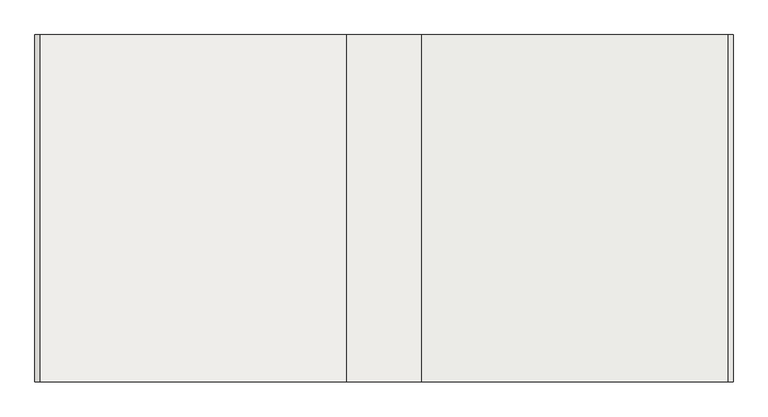
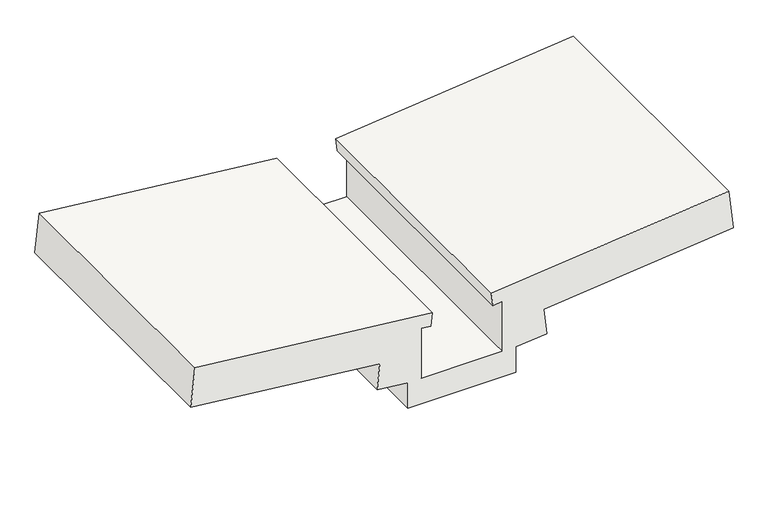
"""IFC4 building model written with IfcOpenShell, lengths in millimetres: roof geometry."""

from ifc_helpers import new_model, si_unit, frame, origin, place, context, project, spatial, polyline, outline, extrude, source, transform, mapped, element, save


def roof_84ffc8ff(model_context):
    return source(origin(), model_context, "Body", "SweptSolid", [
        extrude(outline(polyline([(-139.7649905, -2144.6248756), (-40.3158184, -2144.6248756), (-28.2770392, -2030.0835424), (71.1751504, -2040.5363887), (144.867717, -1339.3984525), (294.0460013, -1355.077722), (201.5383113, -2235.2295994), (151.8122165, -2230.0031762), (155.5306257, -2194.6248756), (-39.7649905, -2194.6248756), (-39.7649905, -2494.6248756), (155.5306257, -2494.6248756), (151.8122165, -2459.2465751), (201.5383113, -2454.0201519), (294.0460013, -3334.1720293), (144.867717, -3349.8512988), (71.1751504, -2648.7133626), (-28.2770392, -2659.1662089), (-40.3158184, -2544.6248756), (-139.7649905, -2544.6248756), (-139.7649905, -2144.6248756)])), frame((0.0, -27229.4794054, 0.0), z_axis=(0.0, 1.0, 0.0), x_axis=(0.0, 0.0, 1.0)), (0.0, 0.0, 1.0), 1000.0),
    ])


if __name__ == "__main__":
    model = new_model("IFC4")
    model_context = context("Model", 3, world=origin())
    ifc_project = project(units=[si_unit("LENGTHUNIT", "METRE", prefix="MILLI")], contexts=[model_context])
    site = spatial("IfcSite", under=ifc_project)
    building = spatial("IfcBuilding", under=site)
    placement = place(None, origin())
    roof_shape = roof_84ffc8ff(model_context)
    element("IfcRoof", 1, at=placement, inside=building, context=model_context, shape_type="MappedRepresentation", body=[
        mapped(roof_shape, transform((0.0, 0.0, 0.0), x_axis=(1.0, 0.0, 0.0), y_axis=(0.0, 1.0, 0.0), z_axis=(0.0, 0.0, 1.0))),
    ])
    save(model, "model.ifc")
